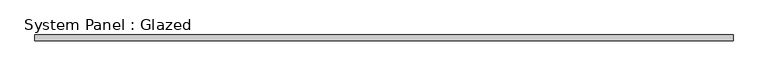
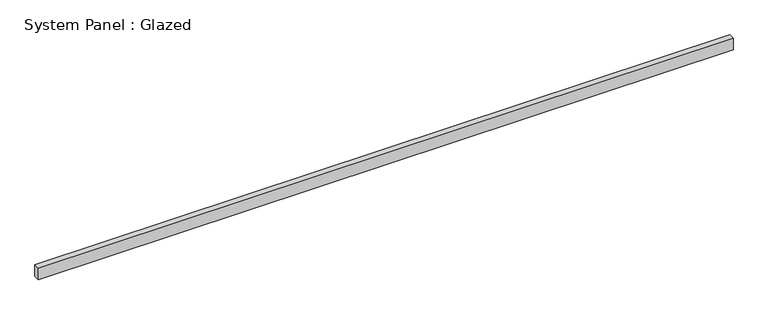
"""IFC4 building model written with IfcOpenShell, lengths in millimetres: plate geometry, System Panel : Glazed."""

from ifc_helpers import new_model, si_unit, origin, origin_with_axes, place, context, project, spatial, polyline, outline, extrude, source, transform, mapped, element, save


def system_panel_glazed_ec3ef48b(model_context):
    return source(origin(), model_context, "Body", "SweptSolid", [
        extrude(outline(polyline([(1455.3059029, 24.5), (-1455.3059029, 24.5), (-1455.3059029, 49.5), (1455.3059029, 49.5), (1455.3059029, 24.5)])), origin_with_axes(), (0.0, 0.0, 1.0), 50.0),
    ])


if __name__ == "__main__":
    model = new_model("IFC4")
    model_context = context("Model", 3, world=origin())
    ifc_project = project(units=[si_unit("LENGTHUNIT", "METRE", prefix="MILLI")], contexts=[model_context])
    site = spatial("IfcSite", under=ifc_project)
    building = spatial("IfcBuilding", under=site)
    placement = place(None, origin())
    system_panel_glazed_shape = system_panel_glazed_ec3ef48b(model_context)
    element("IfcPlate", 1, ObjectType="System Panel : Glazed", at=placement, inside=building, context=model_context, shape_type="MappedRepresentation", body=[
        mapped(system_panel_glazed_shape, transform((0.0, 0.0, 0.0), x_axis=(1.0, 0.0, 0.0), y_axis=(0.0, 1.0, 0.0), z_axis=(0.0, 0.0, 1.0))),
    ])
    save(model, "model.ifc")
